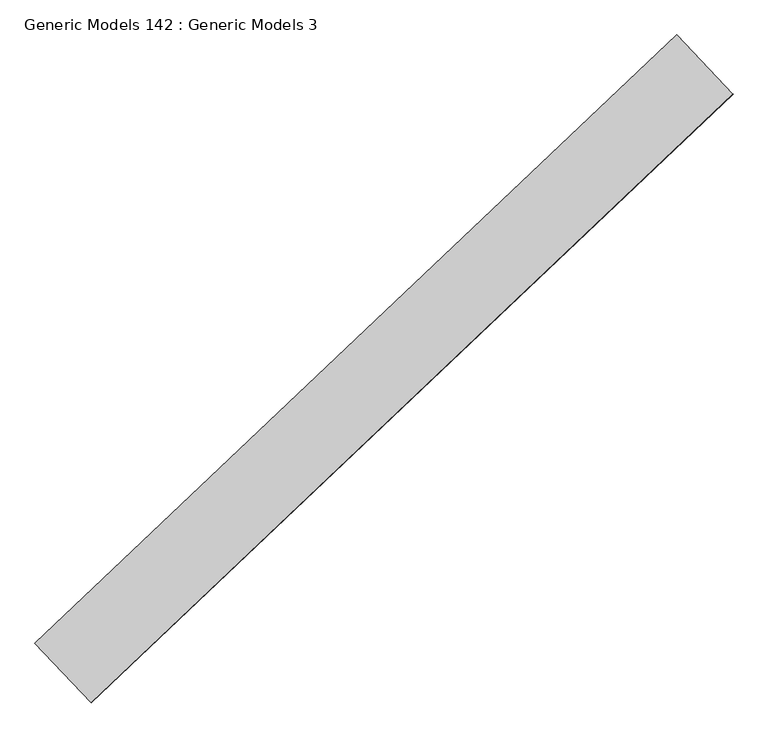
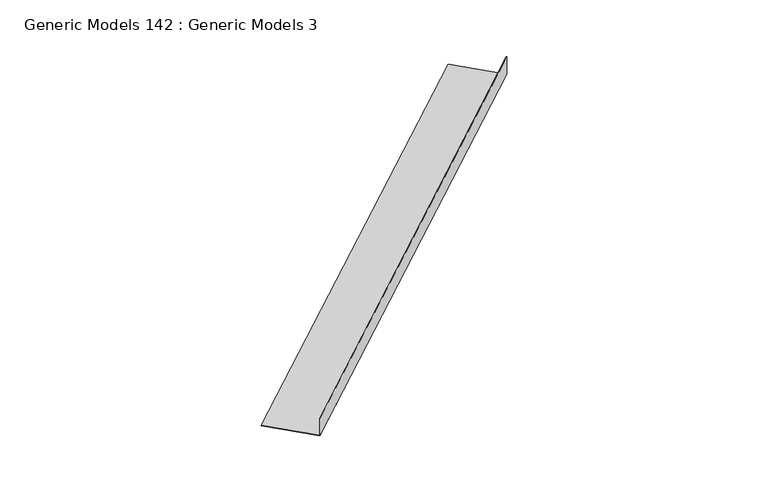
"""IFC4 building model written with IfcOpenShell, lengths in millimetres: proxy geometry, Generic Models 142 : Generic Models 3."""

from ifc_helpers import new_model, si_unit, frame, origin, place, context, project, spatial, polyline, outline, extrude, source, transform, mapped, element, save


def generic_models_142_generic_models_3_cc309fbb(model_context):
    return source(origin(), model_context, "Body", "SweptSolid", [
        extrude(outline(polyline([(9.6055099, 0.0), (9.6055099, -1.5875), (-135.5113161, -1.5875), (-135.5113161, -420.5910072), (-137.0988161, -420.5910072), (-137.0988161, 0.0), (9.6055099, 0.0)])), frame((96634.1407443, 60596.3798729, 18147.5540836), z_axis=(0.725374371012278, 0.6883545756937643, 0.0), x_axis=(0.0, 0.0, 1.0)), (0.0, 0.0, 1.0), 4530.725),
    ])


if __name__ == "__main__":
    model = new_model("IFC4")
    model_context = context("Model", 3, world=origin())
    ifc_project = project(units=[si_unit("LENGTHUNIT", "METRE", prefix="MILLI")], contexts=[model_context])
    site = spatial("IfcSite", under=ifc_project)
    building = spatial("IfcBuilding", under=site)
    placement = place(None, origin())
    generic_models_142_generic_models_3_shape = generic_models_142_generic_models_3_cc309fbb(model_context)
    element("IfcBuildingElementProxy", 1, Name="Generic Models 142 : Generic Models 3", ObjectType="Generic Models 142 : Generic Models 3", at=placement, inside=building, context=model_context, shape_type="MappedRepresentation", body=[
        mapped(generic_models_142_generic_models_3_shape, transform((0.0, 0.0, 0.0), x_axis=(1.0, 0.0, 0.0), y_axis=(0.0, 1.0, 0.0), z_axis=(0.0, 0.0, 1.0))),
    ])
    save(model, "model.ifc")
